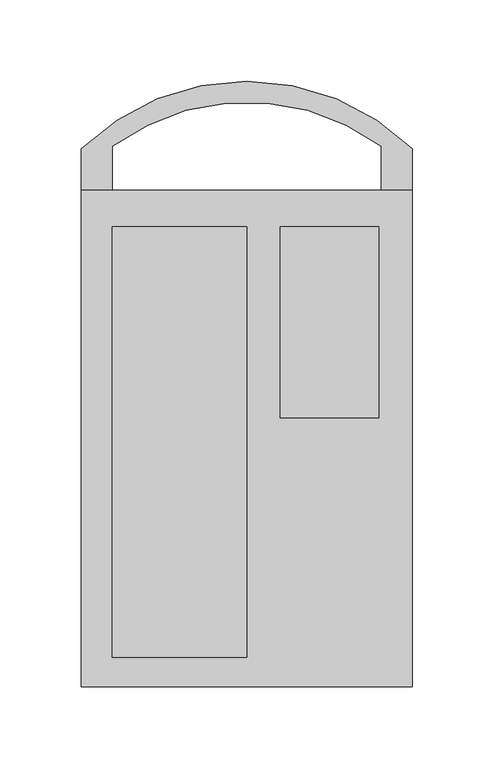
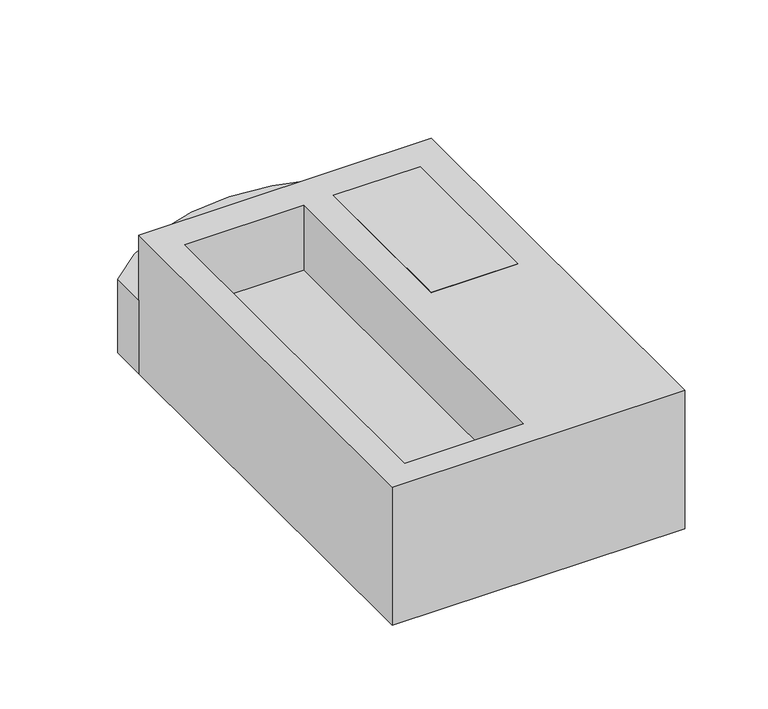
"""IFC4 building model written with IfcOpenShell, lengths in millimetres: proxy geometry."""

from ifc_helpers import new_model, si_unit, point, frame, frame_2d, origin, origin_with_axes, place, context, project, spatial, polyline, circle_curve, trimmed, segment, composite_curve, outline, extrude, faceted_brep, source, transform, mapped, element, save


def specialty_equipment_4c606748(model_context):
    return source(origin(), model_context, "Body", "SolidModel", [
        extrude(outline(polyline([(80.9625, 282.5497835), (80.9625, 165.1), (20.6727378, 165.1), (20.6727378, 282.5497835), (80.9625, 282.5497835)])), frame((0.0, 0.0, 77.3675975), z_axis=(0.0, 0.0, 1.0), x_axis=(1.0, 0.0, 0.0)), (0.0, 0.0, 1.0), 24.2324025),
        extrude(outline(composite_curve([segment(polyline([(101.6, 330.2), (101.6, 304.8), (82.55, 304.8), (82.55, 331.769187)]), True, "CONTINUOUS"), segment(trimmed(circle_curve(frame_2d((0.0, 220.1707122)), 138.8118225), [point((82.55, 331.769187))], [point((-82.55, 331.769187))], True, "CARTESIAN"), True, "CONTINUOUS"), segment(polyline([(-82.55, 331.769187), (-82.55, 304.8), (-101.6, 304.8), (-101.6, 330.2)]), True, "CONTINUOUS"), segment(trimmed(circle_curve(frame_2d((0.0, 226.5207122)), 145.1618225), [point((-101.6, 330.2))], [point((101.6, 330.2))], False, "CARTESIAN"), True, "CONTINUOUS")], self_intersect=False)), origin_with_axes(), (0.0, 0.0, 1.0), 53.7839828),
        faceted_brep([(101.6, 304.8, 101.6), (-101.6, 304.8, 101.6), (-101.6, 0.0, 101.6), (101.6, 0.0, 101.6), (-82.5147622, 282.5497835, 101.6), (0.0, 282.5497835, 101.6), (0.0, 18.1357505, 101.6), (-82.5147622, 18.1357505, 101.6), (101.6, 304.8, 0.0), (101.6, 0.0, 0.0), (-101.6, 0.0, 0.0), (-101.6, 304.8, 0.0), (0.0, 282.5497835, 53.7839828), (-82.5147622, 282.5497835, 53.7839828), (-82.5147622, 18.1357505, 53.7839828), (0.0, 18.1357505, 53.7839828)], [[[0, 1, 2, 3], [4, 5, 6, 7]], [[8, 9, 10, 11]], [[1, 0, 8, 11]], [[2, 1, 11, 10]], [[3, 2, 10, 9]], [[0, 3, 9, 8]], [[12, 13, 14, 15]], [[13, 12, 5, 4]], [[14, 13, 4, 7]], [[15, 14, 7, 6]], [[12, 15, 6, 5]]]),
    ])


if __name__ == "__main__":
    model = new_model("IFC4")
    model_context = context("Model", 3, world=origin())
    ifc_project = project(units=[si_unit("LENGTHUNIT", "METRE", prefix="MILLI")], contexts=[model_context])
    site = spatial("IfcSite", under=ifc_project)
    building = spatial("IfcBuilding", under=site)
    placement = place(None, origin())
    specialty_equipment_shape = specialty_equipment_4c606748(model_context)
    element("IfcBuildingElementProxy", 1, Name="Specialty Equipment", at=placement, inside=building, context=model_context, shape_type="MappedRepresentation", body=[
        mapped(specialty_equipment_shape, transform((0.0, 0.0, 0.0), x_axis=(1.0, 0.0, 0.0), y_axis=(0.0, 1.0, 0.0), z_axis=(0.0, 0.0, 1.0))),
    ])
    save(model, "model.ifc")
